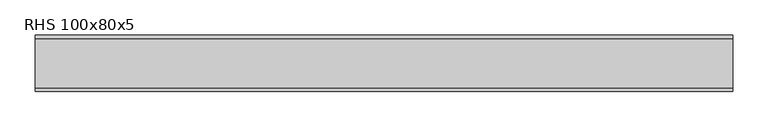
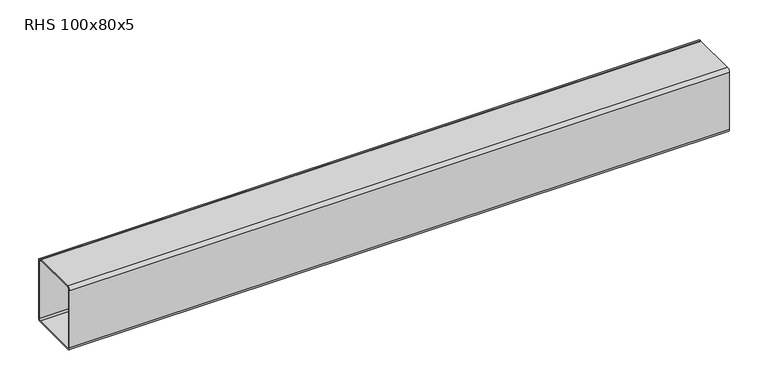
"""IFC4 building model written with IfcOpenShell, lengths in millimetres: beam geometry, RHS 100x80x5."""

from ifc_helpers import new_model, si_unit, point, frame, frame_2d, origin, place, context, project, spatial, polyline, circle_curve, trimmed, segment, composite_curve, outline, extrude, source, transform, mapped, element, save


def rhs_100x80x5_fe6767ab(model_context):
    return source(origin(), model_context, "Body", "SweptSolid", [
        extrude(outline(composite_curve([segment(polyline([(40.0, 45.0), (40.0, -45.0)]), True, "CONTINUOUS"), segment(trimmed(circle_curve(frame_2d((35.0, -45.0)), 5.0), [point((40.0, -45.0))], [point((35.0, -50.0))], False, "CARTESIAN"), True, "CONTINUOUS"), segment(polyline([(35.0, -50.0), (-35.0, -50.0)]), True, "CONTINUOUS"), segment(trimmed(circle_curve(frame_2d((-35.0, -45.0)), 5.0), [point((-35.0, -50.0))], [point((-40.0, -45.0))], False, "CARTESIAN"), True, "CONTINUOUS"), segment(polyline([(-40.0, -45.0), (-40.0, 45.0)]), True, "CONTINUOUS"), segment(trimmed(circle_curve(frame_2d((-35.0, 45.0)), 5.0), [point((-40.0, 45.0))], [point((-35.0, 50.0))], False, "CARTESIAN"), True, "CONTINUOUS"), segment(polyline([(-35.0, 50.0), (35.0, 50.0)]), True, "CONTINUOUS"), segment(trimmed(circle_curve(frame_2d((35.0, 45.0)), 5.0), [point((35.0, 50.0))], [point((40.0, 45.0))], False, "CARTESIAN"), True, "CONTINUOUS")], self_intersect=False), holes=[composite_curve([segment(trimmed(circle_curve(frame_2d((-35.0, 45.0)), 2.5), [point((-35.0, 47.5))], [point((-37.5, 45.0))], True, "CARTESIAN"), True, "CONTINUOUS"), segment(polyline([(-37.5, 45.0), (-37.5, -45.0)]), True, "CONTINUOUS"), segment(trimmed(circle_curve(frame_2d((-35.0, -45.0)), 2.5), [point((-37.5, -45.0))], [point((-35.0, -47.5))], True, "CARTESIAN"), True, "CONTINUOUS"), segment(polyline([(-35.0, -47.5), (35.0, -47.5)]), True, "CONTINUOUS"), segment(trimmed(circle_curve(frame_2d((35.0, -45.0)), 2.5), [point((35.0, -47.5))], [point((37.5, -45.0))], True, "CARTESIAN"), True, "CONTINUOUS"), segment(polyline([(37.5, -45.0), (37.5, 45.0)]), True, "CONTINUOUS"), segment(trimmed(circle_curve(frame_2d((35.0, 45.0)), 2.5), [point((37.5, 45.0))], [point((35.0, 47.5))], True, "CARTESIAN"), True, "CONTINUOUS"), segment(polyline([(35.0, 47.5), (-35.0, 47.5)]), True, "CONTINUOUS")], self_intersect=False)]), frame((-500.0908698, 0.0, 0.0), z_axis=(1.0, 0.0, 0.0), x_axis=(0.0, 1.0, 0.0)), (0.0, 0.0, 1.0), 987.3669889),
    ])


if __name__ == "__main__":
    model = new_model("IFC4")
    model_context = context("Model", 3, world=origin())
    ifc_project = project(units=[si_unit("LENGTHUNIT", "METRE", prefix="MILLI")], contexts=[model_context])
    site = spatial("IfcSite", under=ifc_project)
    building = spatial("IfcBuilding", under=site)
    placement = place(None, origin())
    rhs_100x80x5_shape = rhs_100x80x5_fe6767ab(model_context)
    element("IfcBeam", 1, ObjectType="RHS 100x80x5", at=placement, inside=building, context=model_context, shape_type="MappedRepresentation", body=[
        mapped(rhs_100x80x5_shape, transform((0.0, 0.0, 0.0), x_axis=(1.0, 0.0, 0.0), y_axis=(0.0, 1.0, 0.0), z_axis=(0.0, 0.0, 1.0))),
    ])
    save(model, "model.ifc")
